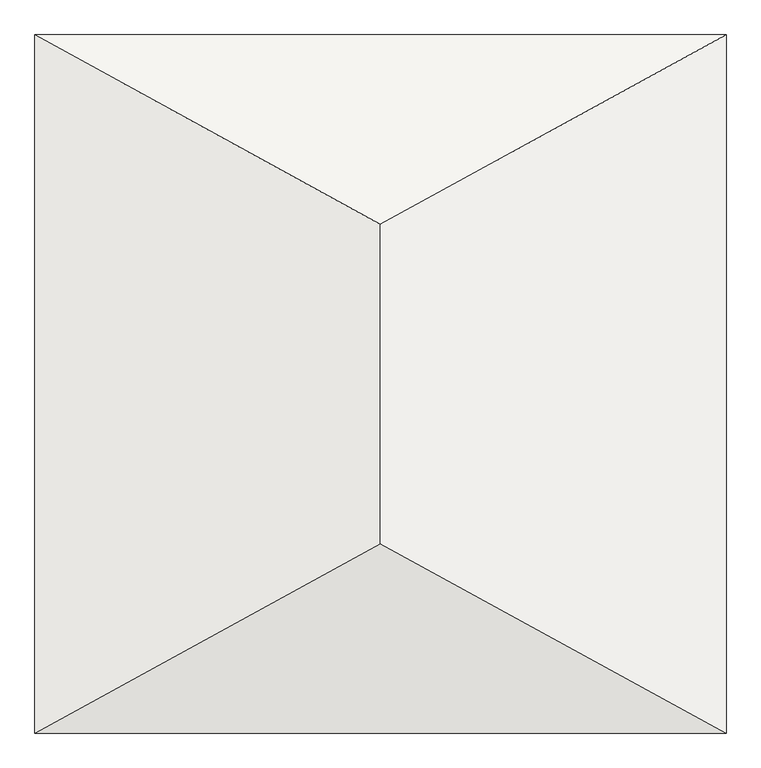
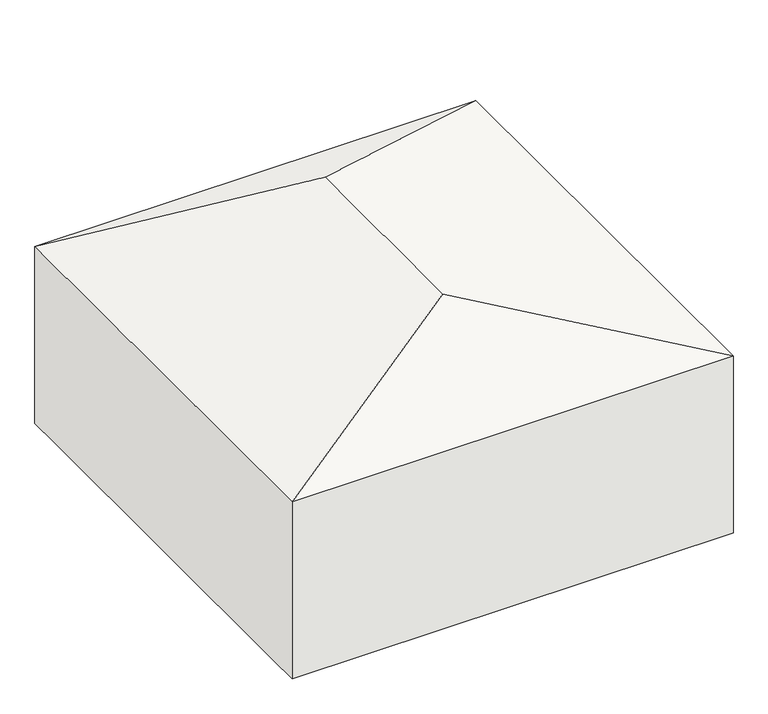
"""IFC4 building model written with IfcOpenShell, lengths in millimetres: roof geometry."""

from ifc_helpers import new_model, si_unit, origin, place, context, project, spatial, faceted_brep, source, transform, mapped, element, save


def roof_51b97542(model_context):
    return source(origin(), model_context, "Body", "Brep", [
        faceted_brep([(0.0, 9267.0160037, 0.0), (4950.0, 6553.1015917, 1566.8792163), (4950.0, 3446.8984083, 1566.8792163), (0.0, 732.9839963, 0.0), (9900.0, 9267.0160037, 0.0), (9900.0, 732.9839963, 0.0), (0.0, 10000.0, 4195.613646), (0.0, 0.0, 4195.613646), (4950.0, 2713.914412, 5762.4928623), (4950.0, 7286.085588, 5762.4928623), (9900.0, 10000.0, 4195.613646), (9900.0, 0.0, 4195.613646), (0.0, 0.0, 0.0), (0.0, 10000.0, 0.0), (9900.0, 0.0, 0.0), (9900.0, 10000.0, 0.0)], [[[0, 1, 2, 3]], [[1, 0, 4]], [[5, 2, 1, 4]], [[3, 2, 5]], [[6, 7, 8, 9]], [[6, 9, 10]], [[11, 10, 9, 8]], [[7, 11, 8]], [[12, 7, 6, 13, 0, 3]], [[14, 11, 7, 12]], [[15, 10, 11, 14, 5, 4]], [[13, 6, 10, 15]], [[13, 15, 4, 0]], [[5, 14, 12, 3]]]),
    ])


if __name__ == "__main__":
    model = new_model("IFC4")
    model_context = context("Model", 3, world=origin())
    ifc_project = project(units=[si_unit("LENGTHUNIT", "METRE", prefix="MILLI")], contexts=[model_context])
    site = spatial("IfcSite", under=ifc_project)
    building = spatial("IfcBuilding", under=site)
    placement = place(None, origin())
    roof_shape = roof_51b97542(model_context)
    element("IfcRoof", 1, at=placement, inside=building, context=model_context, shape_type="MappedRepresentation", body=[
        mapped(roof_shape, transform((0.0, 0.0, 0.0), x_axis=(1.0, 0.0, 0.0), y_axis=(0.0, 1.0, 0.0), z_axis=(0.0, 0.0, 1.0))),
    ])
    save(model, "model.ifc")
